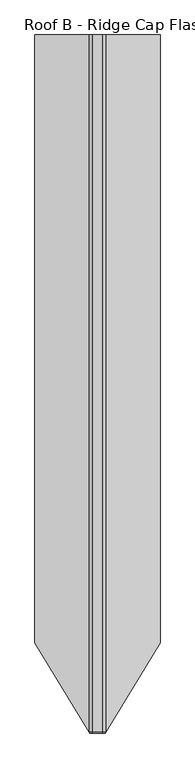
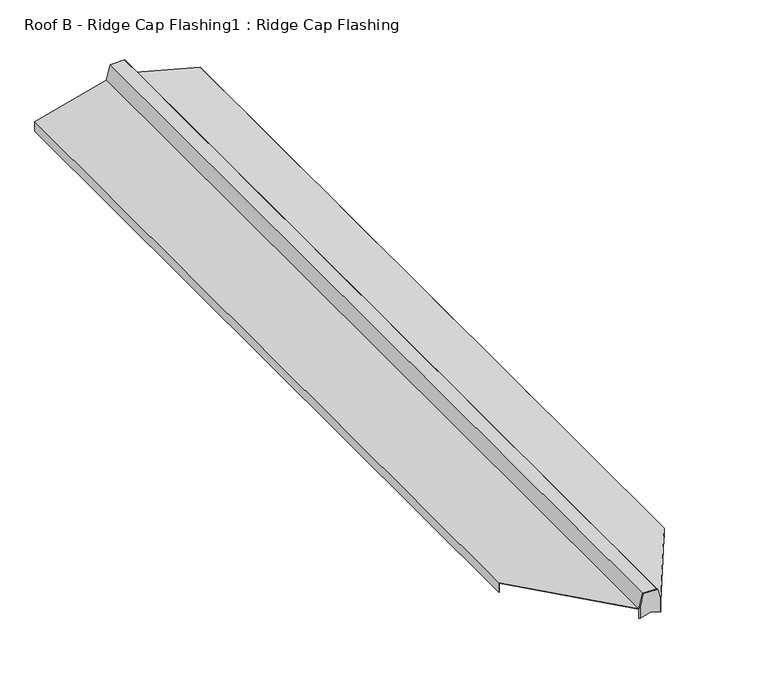
"""IFC4 building model written with IfcOpenShell, lengths in millimetres: proxy geometry, Roof B - Ridge Cap Flashing1 : Ridge Cap Flashing."""

from ifc_helpers import new_model, si_unit, origin, place, context, project, spatial, faceted_brep, source, transform, mapped, element, save


def roof_b_ridge_cap_flashing1_ridge_cap_flashing_b58ed343(model_context):
    return source(origin(), model_context, "Body", "Brep", [
        faceted_brep([(-6850.9813493, -12347.8742565, 4943.6791939), (-6906.7293813, -12347.8742565, 4943.6791939), (-6919.6669401, -12347.8742565, 4895.3955671), (-6919.6669401, -12347.8742565, 4846.7153056), (-6878.8553653, -12347.8742565, 4857.6507341), (-6838.0437905, -12347.8742565, 4846.7153056), (-6838.0437905, -12347.8742565, 4895.3955671), (-6922.4896124, -12343.2089451, 4884.8612105), (-6906.7293813, -12343.2089451, 4943.6791939), (-6850.9813493, -12343.2089451, 4943.6791939), (-6835.2211181, -12343.2089451, 4884.8612105), (-6835.2211181, -12343.2089451, 4845.9589728), (-6878.8553653, -12343.2089451, 4857.6507341), (-6922.4896124, -12343.2089451, 4845.9589728)], [[[0, 1, 2, 3, 4, 5, 6]], [[7, 8, 9, 10, 11, 12, 13]], [[4, 12, 11, 5]], [[12, 4, 3, 13]], [[10, 9, 0, 6]], [[1, 0, 9, 8]], [[8, 7, 2, 1]], [[6, 5, 11, 10]], [[3, 2, 7, 13]]]),
        faceted_brep([(-6906.7293813, -8725.1921401, 4943.6791939), (-6850.9813493, -8725.1921401, 4943.6791939), (-6835.2211181, -8725.1921401, 4884.8612105), (-6554.2624572, -8725.1921401, 4809.5785642), (-6554.2624572, -8725.1921401, 4770.6763265), (-6555.2624572, -8725.1921401, 4770.6763265), (-6555.2624572, -8725.1921401, 4808.8112372), (-6836.0376147, -8725.1921401, 4884.0447139), (-6851.7486763, -8725.1921401, 4942.6791939), (-6905.9620543, -8725.1921401, 4942.6791939), (-6921.6731158, -8725.1921401, 4884.0447139), (-7202.4482734, -8725.1921401, 4808.8112372), (-7202.4482734, -8725.1921401, 4770.6763265), (-7203.4482734, -8725.1921401, 4770.6763265), (-7203.4482734, -8725.1921401, 4809.5785642), (-6922.4896124, -8725.1921401, 4884.8612105), (-6905.9620543, -12343.2089451, 4942.6791939), (-6851.7486763, -12343.2089451, 4942.6791939), (-6836.0376147, -12343.2089451, 4884.0447139), (-6835.2211181, -12343.2089451, 4883.8259343), (-6835.2211181, -12343.2089451, 4884.8612105), (-6850.9813493, -12343.2089451, 4943.6791939), (-6906.7293813, -12343.2089451, 4943.6791939), (-6922.4896124, -12343.2089451, 4884.8612105), (-6922.4896124, -12343.2089451, 4883.8259343), (-6921.6731158, -12343.2089451, 4884.0447139), (-7202.4482734, -11880.4934166, 4808.8112372), (-7203.4482734, -11878.8406171, 4809.5785642), (-7202.4482734, -11880.4934166, 4770.6763265), (-7203.4482734, -11878.8406171, 4770.6763265), (-6554.2624572, -11878.8406171, 4809.5785642), (-6554.2624572, -11878.8406171, 4770.6763265), (-6555.2624572, -11880.4934166, 4770.6763265), (-6555.2624572, -11880.4934166, 4808.8112372)], [[[0, 1, 2, 3, 4, 5, 6, 7, 8, 9, 10, 11, 12, 13, 14, 15]], [[16, 17, 18, 19, 20, 21, 22, 23, 24, 25]], [[1, 0, 22, 21]], [[2, 1, 21, 20]], [[8, 7, 18, 17]], [[9, 8, 17, 16]], [[11, 10, 25, 24, 26]], [[15, 14, 27, 23]], [[10, 9, 16, 25]], [[12, 11, 26, 28]], [[13, 12, 28, 29]], [[14, 13, 29, 27]], [[0, 15, 23, 22]], [[3, 2, 20, 30]], [[4, 3, 30, 31]], [[5, 4, 31, 32]], [[6, 5, 32, 33]], [[7, 6, 33, 19, 18]], [[20, 19, 33, 32, 31, 30]], [[24, 23, 27, 29, 28, 26]]]),
    ])


if __name__ == "__main__":
    model = new_model("IFC4")
    model_context = context("Model", 3, world=origin())
    ifc_project = project(units=[si_unit("LENGTHUNIT", "METRE", prefix="MILLI")], contexts=[model_context])
    site = spatial("IfcSite", under=ifc_project)
    building = spatial("IfcBuilding", under=site)
    placement = place(None, origin())
    roof_b_ridge_cap_flashing1_ridge_cap_flashing_shape = roof_b_ridge_cap_flashing1_ridge_cap_flashing_b58ed343(model_context)
    element("IfcBuildingElementProxy", 1, Name="Roof B - Ridge Cap Flashing1 : Ridge Cap Flashing", ObjectType="Roof B - Ridge Cap Flashing1 : Ridge Cap Flashing", at=placement, inside=building, context=model_context, shape_type="MappedRepresentation", body=[
        mapped(roof_b_ridge_cap_flashing1_ridge_cap_flashing_shape, transform((0.0, 0.0, 0.0), x_axis=(1.0, 0.0, 0.0), y_axis=(0.0, 1.0, 0.0), z_axis=(0.0, 0.0, 1.0))),
    ])
    save(model, "model.ifc")
